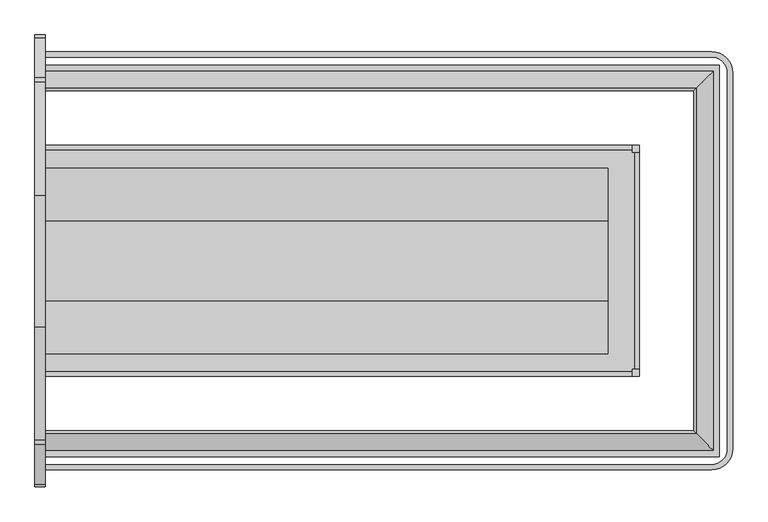
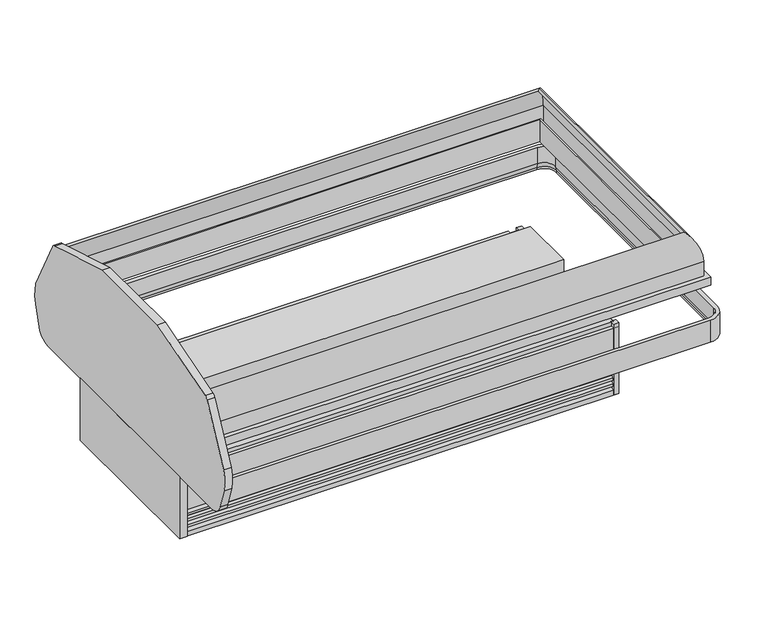
"""IFC4 building model written with IfcOpenShell, lengths in millimetres: proxy geometry."""

from ifc_helpers import new_model, si_unit, point, frame, frame_2d, origin, place, context, project, spatial, polyline, circle_curve, ellipse_curve, trimmed, segment, composite_curve, outline, extrude, faceted_brep, source, transform, mapped, element, save
from ifc_brep_helpers import plane_surface, cylinder_surface, revolved_surface, advanced_brep


def mechanical_equipment_dba4b58a(model_context):
    return source(origin(), model_context, "Body", "SolidModel", [
        extrude(outline(polyline([(1693.06875, -1328.4946273), (1997.86875, -1328.4946273), (1997.86875, -1430.0946273), (1693.06875, -1430.0946273), (1693.06875, -1328.4946273)])), frame((0.0, 0.0, 189.9442522), z_axis=(0.0, 0.0, 1.0), x_axis=(1.0, 0.0, 0.0)), (0.0, 0.0, 1.0), 53.975),
        extrude(outline(polyline([(0.0, -1877.2754027), (0.0, -1854.8852919), (2437.7518707, -1854.8852919), (2437.7518707, -471.8927566), (0.0, -471.8927566), (0.0, -449.5026457), (2460.1419816, -449.5026457), (2460.1419816, -1877.2754027), (0.0, -1877.2754027)])), frame((0.0, 0.0, 699.9316399), z_axis=(0.0, 0.0, 1.0), x_axis=(1.0, 0.0, 0.0)), (0.0, 0.0, 1.0), 41.2710907),
        advanced_brep(
        [(0.0, -1792.5196013, 958.3889172), (0.0, -1784.0477837, 948.9275057), (0.0, -1842.1852919, 818.8330982), (0.0, -1842.1852919, 702.038591), (0.0, -1854.8852919, 702.038591), (0.0, -1854.8852919, 818.8330982), (2375.3861801, -1792.5196013, 958.3889172), (2366.9143625, -1784.0477837, 948.9275057), (2425.0518707, -1842.1852919, 818.8330982), (2425.0518707, -1842.1852919, 702.038591), (2425.0518707, -484.5927566, 702.038591), (0.0, -484.5927566, 702.038591), (0.0, -471.8927566, 702.038591), (2437.7518707, -471.8927566, 702.038591), (2437.7518707, -1854.8852919, 702.038591), (2437.7518707, -1854.8852919, 818.8330982), (2375.3861801, -534.2584472, 958.3889172), (2366.9143625, -542.7302648, 948.9275057), (2425.0518707, -484.5927566, 818.8330982), (2437.7518707, -471.8927566, 818.8330982), (0.0, -534.2584472, 958.3889172), (0.0, -471.8927566, 818.8330982), (0.0, -484.5927566, 818.8330982), (0.0, -542.7302648, 948.9275057)],
        [
            (0, 1),
            (1, 2, circle_curve(frame((0.0, -1667.5602919, 818.8330982), z_axis=(1.0, 0.0, 0.0), x_axis=(0.0, 1.0, 0.0)), 174.625)),
            (2, 3),
            (3, 4),
            (4, 5),
            (5, 0, circle_curve(frame((0.0, -1667.5602919, 818.8330982), z_axis=(-1.0, 0.0, 0.0), x_axis=(0.0, 1.0, 0.0)), 187.325)),
            (0, 6),
            (6, 7),
            (7, 1),
            (7, 8, ellipse_curve(frame((2250.4268707, -1667.5602919, 818.8330982), z_axis=(0.7071067811865475, 0.7071067811865475, 0.0), x_axis=(0.7071067811865476, -0.7071067811865474, 0.0)), 246.9570433, 174.625)),
            (8, 2),
            (8, 9),
            (9, 3),
            (9, 10),
            (10, 11),
            (11, 12),
            (12, 13),
            (13, 14),
            (14, 4),
            (14, 15),
            (15, 5),
            (15, 6, ellipse_curve(frame((2250.4268707, -1667.5602919, 818.8330982), z_axis=(-0.7071067811865475, -0.7071067811865475, 0.0), x_axis=(-0.7071067811865476, 0.7071067811865474, 0.0)), 264.9175556, 187.325)),
            (6, 16),
            (16, 17),
            (17, 7),
            (17, 18, ellipse_curve(frame((2250.4268707, -659.2177566, 818.8330982), z_axis=(-0.7071067811865475, 0.7071067811865475, 0.0), x_axis=(0.7071067811865474, 0.7071067811865476, 0.0)), 246.9570433, 174.625)),
            (18, 8),
            (18, 10),
            (13, 19),
            (19, 15),
            (19, 16, ellipse_curve(frame((2250.4268707, -659.2177566, 818.8330982), z_axis=(0.7071067811865475, -0.7071067811865475, 0.0), x_axis=(-0.7071067811865474, -0.7071067811865476, 0.0)), 264.9175556, 187.325)),
            (20, 21, circle_curve(frame((0.0, -659.2177566, 818.8330982), z_axis=(-1.0, 0.0, 0.0), x_axis=(0.0, -1.0, 0.0)), 187.325)),
            (21, 12),
            (11, 22),
            (22, 23, circle_curve(frame((0.0, -659.2177566, 818.8330982), z_axis=(1.0, 0.0, 0.0), x_axis=(0.0, -1.0, 0.0)), 174.625)),
            (23, 20),
            (16, 20),
            (23, 17),
            (22, 18),
            (21, 19),
        ],
        [
            plane_surface(frame((0.0, -1977.7709212, 50.2442522), z_axis=(-1.0, 0.0, 0.0), x_axis=(0.0, 0.0, 1.0))),
            plane_surface(frame((0.0, -1792.5196013, 958.3889172), z_axis=(0.0, 0.7449930280994389, 0.6670722510217529), x_axis=(1.0, 0.0, 0.0))),
            revolved_surface(polyline([(2425.0518707, -1492.9352919, 818.8330982), (0.0, -1492.9352919, 818.8330982)]), (0.0, -1667.5602919, 818.8330982), (1.0, 0.0, 0.0)),
            plane_surface(frame((0.0, -1842.1852919, 818.8330982), z_axis=(0.0, 1.0, 0.0), x_axis=(1.0, 0.0, 0.0))),
            plane_surface(frame((0.0, -1842.1852919, 702.038591), z_axis=(0.0, 0.0, -1.0), x_axis=(1.0, 0.0, 0.0))),
            plane_surface(frame((0.0, -1854.8852919, 702.038591), z_axis=(0.0, -1.0, 0.0), x_axis=(1.0, 0.0, 0.0))),
            cylinder_surface(frame((0.0, -1667.5602919, 818.8330982), z_axis=(-1.0, 0.0, 0.0), x_axis=(0.0, 1.0, 0.0)), 187.325),
            plane_surface(frame((2375.3861801, -1792.5196013, 958.3889172), z_axis=(-0.7449930280994389, 0.0, 0.6670722510217529), x_axis=(0.0, 1.0, 0.0))),
            revolved_surface(polyline([(2075.8018707, -484.59275660000003, 818.8330982), (2075.8018707, -1842.1852919, 818.8330982)]), (2250.4268707, -1977.7709212, 818.8330982), (0.0, 1.0, 0.0)),
            plane_surface(frame((2425.0518707, -1842.1852919, 818.8330982), z_axis=(-1.0, 0.0, 0.0), x_axis=(0.0, 1.0, 0.0))),
            plane_surface(frame((2437.7518707, -1854.8852919, 702.038591), z_axis=(1.0, 0.0, 0.0), x_axis=(0.0, 1.0, 0.0))),
            cylinder_surface(frame((2250.4268707, -1977.7709212, 818.8330982), z_axis=(0.0, -1.0, 0.0), x_axis=(-1.0, 0.0, 0.0)), 187.325),
            plane_surface(frame((0.0, -349.0071273, 50.2442522), z_axis=(-1.0, 0.0, 0.0), x_axis=(0.0, 0.0, 1.0))),
            plane_surface(frame((2375.3861801, -534.2584472, 958.3889172), z_axis=(0.0, -0.7449930280994389, 0.6670722510217529), x_axis=(-1.0, 0.0, 0.0))),
            revolved_surface(polyline([(0.0, -833.8427566, 818.8330982), (2425.0518707, -833.8427566, 818.8330982)]), (2560.6375, -659.2177566, 818.8330982), (-1.0, 0.0, 0.0)),
            plane_surface(frame((2425.0518707, -484.5927566, 818.8330982), z_axis=(0.0, -1.0, 0.0), x_axis=(-1.0, 0.0, 0.0))),
            plane_surface(frame((2437.7518707, -471.8927566, 702.038591), z_axis=(0.0, 1.0, 0.0), x_axis=(-1.0, 0.0, 0.0))),
            cylinder_surface(frame((2560.6375, -659.2177566, 818.8330982), z_axis=(1.0, 0.0, 0.0), x_axis=(0.0, -1.0, 0.0)), 187.325),
        ],
        [
            (0, [[1, 2, 3, 4, 5, 6]]),
            (1, [[-1, 7, 8, 9]]),
            (2, [[-2, -9, 10, 11]]),
            (3, [[-3, -11, 12, 13]]),
            (4, [[-4, -13, 14, 15, 16, 17, 18, 19]]),
            (5, [[-5, -19, 20, 21]]),
            (6, [[-6, -21, 22, -7]]),
            (7, [[-8, 23, 24, 25]]),
            (8, [[-10, -25, 26, 27]]),
            (9, [[-12, -27, 28, -14]]),
            (10, [[-20, -18, 29, 30]]),
            (11, [[-22, -30, 31, -23]]),
            (12, [[32, 33, -16, 34, 35, 36]]),
            (13, [[-24, 37, -36, 38]]),
            (14, [[-26, -38, -35, 39]]),
            (15, [[-28, -39, -34, -15]]),
            (16, [[-29, -17, -33, 40]]),
            (17, [[-31, -40, -32, -37]]),
        ],
    ),
        faceted_brep([(0.0, -1809.1342557, 779.826091), (0.0, -1802.7842557, 779.826091), (0.0, -1802.7842557, 665.438693), (0.0, -1809.1342557, 665.438693), (2392.0008346, -1809.1342557, 779.826091), (2392.0008346, -517.6437927, 779.826091), (0.0, -517.6437927, 779.826091), (0.0, -523.9937927, 779.826091), (2385.6508346, -523.9937927, 779.826091), (2385.6508346, -1802.7842557, 779.826091), (2385.6508346, -1802.7842557, 665.438693), (2385.6508346, -523.9937927, 665.438693), (0.0, -523.9937927, 665.438693), (0.0, -517.6437927, 665.438693), (2392.0008346, -517.6437927, 665.438693), (2392.0008346, -1809.1342557, 665.438693)], [[[0, 1, 2, 3]], [[1, 0, 4, 5, 6, 7, 8, 9]], [[2, 1, 9, 10]], [[3, 2, 10, 11, 12, 13, 14, 15]], [[0, 3, 15, 4]], [[10, 9, 8, 11]], [[4, 15, 14, 5]], [[6, 13, 12, 7]], [[11, 8, 7, 12]], [[5, 14, 13, 6]]]),
        extrude(outline(polyline([(2141.8067977, -1585.0986858), (2141.8067977, -1558.951425), (2167.9540585, -1558.951425), (2167.9540585, -1585.0986858), (2141.8067977, -1585.0986858)])), frame((0.0, 0.0, 50.2442522), z_axis=(0.0, 0.0, 1.0), x_axis=(1.0, 0.0, 0.0)), (0.0, 0.0, 1.0), 374.65),
        extrude(outline(polyline([(2141.8067977, -741.6905688), (2167.9540585, -741.6905688), (2167.9540585, -767.8378296), (2141.8067977, -767.8378296), (2141.8067977, -741.6905688)])), frame((0.0, 0.0, 50.2442522), z_axis=(0.0, 0.0, 1.0), x_axis=(1.0, 0.0, 0.0)), (0.0, 0.0, 1.0), 374.65),
        extrude(outline(polyline([(0.0, -731.5946273), (0.0, -1595.1946273), (-38.1, -1595.1946273), (-38.1, -731.5946273), (0.0, -731.5946273)])), frame((0.0, 0.0, 55.8110105), z_axis=(0.0, 0.0, 1.0), x_axis=(1.0, 0.0, 0.0)), (0.0, 0.0, 1.0), 330.2),
        extrude(outline(composite_curve([segment(trimmed(circle_curve(frame_2d((-1876.0201467, 462.2147549)), 76.2037445), [point((-1876.0201467, 386.0110105))], [point((-1949.0324467, 440.3924105))], False, "CARTESIAN"), True, "CONTINUOUS"), segment(polyline([(-1949.0324467, 440.3924105), (-1980.3506467, 545.1755523)]), True, "CONTINUOUS"), segment(trimmed(circle_curve(frame_2d((-1810.0422719, 596.0783182)), 177.752733), [point((-1980.3506467, 545.1755523))], [point((-1977.7709212, 654.9267193))], False, "CARTESIAN"), True, "CONTINUOUS"), segment(polyline([(-1977.7709212, 654.9267193), (-1833.2015565, 938.6600732)]), True, "CONTINUOUS"), segment(trimmed(circle_curve(frame_2d((-1810.5699907, 927.1287145)), 25.4), [point((-1833.2015565, 938.6600732))], [point((-1816.4208577, 951.8456592))], False, "CARTESIAN"), True, "CONTINUOUS"), segment(polyline([(-1816.4208577, 951.8456592), (-1403.1455727, 1075.3678003), (-923.6436819, 1075.3678003), (-510.3683969, 951.8456592)]), True, "CONTINUOUS"), segment(trimmed(circle_curve(frame_2d((-516.2192639, 927.1287145)), 25.4), [point((-510.3683969, 951.8456592))], [point((-493.5876981, 938.6600732))], False, "CARTESIAN"), True, "CONTINUOUS"), segment(polyline([(-493.5876981, 938.6600732), (-349.0183334, 654.9267193)]), True, "CONTINUOUS"), segment(trimmed(circle_curve(frame_2d((-516.7469827, 596.0783182)), 177.752733), [point((-349.0183334, 654.9267193))], [point((-346.4386079, 545.1755523))], False, "CARTESIAN"), True, "CONTINUOUS"), segment(polyline([(-346.4386079, 545.1755523), (-377.7568079, 440.3924105)]), True, "CONTINUOUS"), segment(trimmed(circle_curve(frame_2d((-450.7691079, 462.2147549)), 76.2037445), [point((-377.7568079, 440.3924105))], [point((-450.7691079, 386.0110105))], False, "CARTESIAN"), True, "CONTINUOUS"), segment(polyline([(-450.7691079, 386.0110105), (-1876.0201467, 386.0110105)]), True, "CONTINUOUS")], self_intersect=False)), frame((-38.1, 0.0, 0.0), z_axis=(1.0, 0.0, 0.0), x_axis=(0.0, 1.0, 0.0)), (0.0, 0.0, 1.0), 38.1),
        advanced_brep(
        [(0.0, -401.3444046, 552.6494703), (0.0, -401.3444046, 434.7299703), (0.0, -416.0764046, 434.7299703), (0.0, -416.0764046, 445.2709703), (0.0, -420.1796936, 468.5418787), (0.0, -420.1796936, 552.6494703), (2432.1002227, -401.3444046, 552.6494703), (2432.1002227, -401.3444046, 434.7299703), (2508.3002227, -477.5444046, 434.7299703), (2508.3002227, -1849.24485, 434.7299703), (2432.1002227, -1925.44485, 434.7299703), (0.0, -1925.44485, 434.7299703), (0.0, -1910.71285, 434.7299703), (2432.1002227, -1910.71285, 434.7299703), (2493.5682227, -1849.24485, 434.7299703), (2493.5682227, -477.5444046, 434.7299703), (2432.1002227, -416.0764046, 434.7299703), (2432.1002227, -416.0764046, 445.2709703), (2432.1002227, -420.1796936, 468.5418787), (2432.1002227, -420.1796936, 552.6494703), (2489.4649337, -477.5444046, 552.6494703), (2489.4649337, -1849.24485, 552.6494703), (2432.1002227, -1906.609561, 552.6494703), (0.0, -1906.609561, 552.6494703), (0.0, -1925.44485, 552.6494703), (2432.1002227, -1925.44485, 552.6494703), (2508.3002227, -1849.24485, 552.6494703), (2508.3002227, -477.5444046, 552.6494703), (2493.5682227, -477.5444046, 445.2709703), (2489.4649337, -477.5444046, 468.5418787), (2493.5682227, -1849.24485, 445.2709703), (2489.4649337, -1849.24485, 468.5418787), (2432.1002227, -1910.71285, 445.2709703), (2432.1002227, -1906.609561, 468.5418787), (0.0, -1906.609561, 468.5418787), (0.0, -1910.71285, 445.2709703)],
        [
            (0, 1),
            (1, 2),
            (2, 3),
            (3, 4),
            (4, 5),
            (5, 0),
            (0, 6),
            (6, 7),
            (7, 1),
            (7, 8, circle_curve(frame((2432.1002227, -477.5444046, 434.7299703), z_axis=(0.0, 0.0, -1.0), x_axis=(0.0, 1.0, 0.0)), 76.2)),
            (8, 9),
            (9, 10, circle_curve(frame((2432.1002227, -1849.24485, 434.7299703), z_axis=(0.0, 0.0, -1.0), x_axis=(1.0, 0.0, 0.0)), 76.2)),
            (10, 11),
            (11, 12),
            (12, 13),
            (13, 14, circle_curve(frame((2432.1002227, -1849.24485, 434.7299703), z_axis=(0.0, 0.0, 1.0), x_axis=(1.0, 0.0, 0.0)), 61.468)),
            (14, 15),
            (15, 16, circle_curve(frame((2432.1002227, -477.5444046, 434.7299703), z_axis=(0.0, 0.0, 1.0), x_axis=(0.0, 1.0, 0.0)), 61.468)),
            (16, 2),
            (16, 17),
            (17, 3),
            (17, 18),
            (18, 4),
            (18, 19),
            (19, 5),
            (19, 20, circle_curve(frame((2432.1002227, -477.5444046, 552.6494703), z_axis=(0.0, 0.0, -1.0), x_axis=(0.0, 1.0, 0.0)), 57.364711)),
            (20, 21),
            (21, 22, circle_curve(frame((2432.1002227, -1849.24485, 552.6494703), z_axis=(0.0, 0.0, -1.0), x_axis=(1.0, 0.0, 0.0)), 57.364711)),
            (22, 23),
            (23, 24),
            (24, 25),
            (25, 26, circle_curve(frame((2432.1002227, -1849.24485, 552.6494703), z_axis=(0.0, 0.0, 1.0), x_axis=(1.0, 0.0, 0.0)), 76.2)),
            (26, 27),
            (27, 6, circle_curve(frame((2432.1002227, -477.5444046, 552.6494703), z_axis=(0.0, 0.0, 1.0), x_axis=(0.0, 1.0, 0.0)), 76.2)),
            (27, 8),
            (28, 17, circle_curve(frame((2432.1002227, -477.5444046, 445.2709703), z_axis=(0.0, 0.0, 1.0), x_axis=(0.0, 1.0, 0.0)), 61.468)),
            (15, 28),
            (29, 18, circle_curve(frame((2432.1002227, -477.5444046, 468.5418787), z_axis=(0.0, 0.0, 1.0), x_axis=(0.0, 1.0, 0.0)), 57.364711)),
            (28, 29),
            (29, 20),
            (26, 9),
            (14, 30),
            (30, 28),
            (30, 31),
            (31, 29),
            (31, 21),
            (25, 10),
            (32, 30, circle_curve(frame((2432.1002227, -1849.24485, 445.2709703), z_axis=(0.0, 0.0, 1.0), x_axis=(1.0, 0.0, 0.0)), 61.468)),
            (13, 32),
            (33, 31, circle_curve(frame((2432.1002227, -1849.24485, 468.5418787), z_axis=(0.0, 0.0, 1.0), x_axis=(1.0, 0.0, 0.0)), 57.364711)),
            (32, 33),
            (33, 22),
            (23, 34),
            (34, 35),
            (35, 12),
            (11, 24),
            (35, 32),
            (34, 33),
        ],
        [
            plane_surface(frame((0.0, -401.3444046, 50.2442522), z_axis=(-1.0, 0.0, 0.0), x_axis=(0.0, 0.0, 1.0))),
            plane_surface(frame((0.0, -401.3444046, 552.6494703), z_axis=(0.0, 1.0, 0.0), x_axis=(1.0, 0.0, 0.0))),
            plane_surface(frame((0.0, -401.3444046, 434.7299703), z_axis=(0.0, 0.0, -1.0), x_axis=(1.0, 0.0, 0.0))),
            plane_surface(frame((0.0, -416.0764046, 434.7299703), z_axis=(0.0, -1.0, 0.0), x_axis=(1.0, 0.0, 0.0))),
            plane_surface(frame((0.0, -416.0764046, 445.2709703), z_axis=(0.0, -0.9848077530122079, -0.17364817766693152), x_axis=(1.0, 0.0, 0.0))),
            plane_surface(frame((0.0, -420.1796936, 468.5418787), z_axis=(0.0, -1.0, 0.0), x_axis=(1.0, 0.0, 0.0))),
            plane_surface(frame((0.0, -420.1796936, 552.6494703), z_axis=(0.0, 0.0, 1.0), x_axis=(1.0, 0.0, 0.0))),
            cylinder_surface(frame((2432.1002227, -477.5444046, 50.2442522), z_axis=(0.0, 0.0, -1.0), x_axis=(0.0, 1.0, 0.0)), 76.2),
            revolved_surface(polyline([(2432.1002227, -416.0764046, 434.7299703), (2432.1002227, -416.0764046, 445.2709703)]), (2432.1002227, -477.5444046, 50.2442522), (0.0, 0.0, -1.0)),
            revolved_surface(polyline([(2432.1002227, -416.0764046, 445.2709703), (2432.1002227, -420.1796936, 468.5418787)]), (2432.1002227, -477.5444046, 50.2442522), (0.0, 0.0, -1.0)),
            revolved_surface(polyline([(2432.1002227, -420.1796936, 468.5418787), (2432.1002227, -420.1796936, 552.6494703)]), (2432.1002227, -477.5444046, 50.2442522), (0.0, 0.0, -1.0)),
            plane_surface(frame((2508.3002227, -477.5444046, 552.6494703), z_axis=(1.0, 0.0, 0.0), x_axis=(0.0, -1.0, 0.0))),
            plane_surface(frame((2493.5682227, -477.5444046, 434.7299703), z_axis=(-1.0, 0.0, 0.0), x_axis=(0.0, -1.0, 0.0))),
            plane_surface(frame((2493.5682227, -477.5444046, 445.2709703), z_axis=(-0.9848077530122079, 0.0, -0.17364817766693152), x_axis=(0.0, -1.0, 0.0))),
            plane_surface(frame((2489.4649337, -477.5444046, 468.5418787), z_axis=(-1.0, 0.0, 0.0), x_axis=(0.0, -1.0, 0.0))),
            cylinder_surface(frame((2432.1002227, -1849.24485, 50.2442522), z_axis=(0.0, 0.0, -1.0), x_axis=(1.0, 0.0, 0.0)), 76.2),
            revolved_surface(polyline([(2493.5682226999998, -1849.24485, 434.7299703), (2493.5682226999998, -1849.24485, 445.2709703)]), (2432.1002227, -1849.24485, 50.2442522), (0.0, 0.0, -1.0)),
            revolved_surface(polyline([(2493.5682227, -1849.24485, 445.2709703), (2489.4649337, -1849.24485, 468.5418787)]), (2432.1002227, -1849.24485, 50.2442522), (0.0, 0.0, -1.0)),
            revolved_surface(polyline([(2489.4649337, -1849.24485, 468.5418787), (2489.4649337, -1849.24485, 552.6494703)]), (2432.1002227, -1849.24485, 50.2442522), (0.0, 0.0, -1.0)),
            plane_surface(frame((0.0, -1925.44485, 50.2442522), z_axis=(-1.0, 0.0, 0.0), x_axis=(0.0, 0.0, 1.0))),
            plane_surface(frame((2432.1002227, -1925.44485, 552.6494703), z_axis=(0.0, -1.0, 0.0), x_axis=(-1.0, 0.0, 0.0))),
            plane_surface(frame((2432.1002227, -1910.71285, 434.7299703), z_axis=(0.0, 1.0, 0.0), x_axis=(-1.0, 0.0, 0.0))),
            plane_surface(frame((2432.1002227, -1910.71285, 445.2709703), z_axis=(0.0, 0.9848077530122079, -0.17364817766693152), x_axis=(-1.0, 0.0, 0.0))),
            plane_surface(frame((2432.1002227, -1906.609561, 468.5418787), z_axis=(0.0, 1.0, 0.0), x_axis=(-1.0, 0.0, 0.0))),
        ],
        [
            (0, [[1, 2, 3, 4, 5, 6]]),
            (1, [[-1, 7, 8, 9]]),
            (2, [[-2, -9, 10, 11, 12, 13, 14, 15, 16, 17, 18, 19]]),
            (3, [[-3, -19, 20, 21]]),
            (4, [[-4, -21, 22, 23]]),
            (5, [[-5, -23, 24, 25]]),
            (6, [[-6, -25, 26, 27, 28, 29, 30, 31, 32, 33, 34, -7]]),
            (7, [[-10, -8, -34, 35]]),
            (8, [[36, -20, -18, 37]]),
            (9, [[38, -22, -36, 39]]),
            (10, [[-26, -24, -38, 40]]),
            (11, [[-35, -33, 41, -11]]),
            (12, [[-37, -17, 42, 43]]),
            (13, [[-39, -43, 44, 45]]),
            (14, [[-40, -45, 46, -27]]),
            (15, [[-12, -41, -32, 47]]),
            (16, [[48, -42, -16, 49]]),
            (17, [[50, -44, -48, 51]]),
            (18, [[-28, -46, -50, 52]]),
            (19, [[-30, 53, 54, 55, -14, 56]]),
            (20, [[-47, -31, -56, -13]]),
            (21, [[-49, -15, -55, 57]]),
            (22, [[-51, -57, -54, 58]]),
            (23, [[-52, -58, -53, -29]]),
        ],
    ),
        extrude(outline(composite_curve([segment(trimmed(circle_curve(frame_2d((1219.2, -1163.3946273)), 19.05), [point((1200.15, -1163.3946273))], [point((1238.25, -1163.3946273))], False, "CARTESIAN"), True, "CONTINUOUS"), segment(trimmed(circle_curve(frame_2d((1219.2, -1163.3946273)), 19.05), [point((1238.25, -1163.3946273))], [point((1200.15, -1163.3946273))], False, "CARTESIAN"), True, "CONTINUOUS")], self_intersect=False)), frame((0.0, 0.0, 93.9880046), z_axis=(0.0, 0.0, 1.0), x_axis=(1.0, 0.0, 0.0)), (0.0, 0.0, 1.0), 210.2562476),
        extrude(outline(composite_curve([segment(trimmed(circle_curve(frame_2d((941.2705885, -829.9578833)), 11.1125), [point((930.1580885, -829.9578833))], [point((952.3830885, -829.9578833))], False, "CARTESIAN"), True, "CONTINUOUS"), segment(trimmed(circle_curve(frame_2d((941.2705885, -829.9578833)), 11.1125), [point((952.3830885, -829.9578833))], [point((930.1580885, -829.9578833))], False, "CARTESIAN"), True, "CONTINUOUS")], self_intersect=False)), frame((0.0, 0.0, 137.6601877), z_axis=(0.0, 0.0, 1.0), x_axis=(1.0, 0.0, 0.0)), (0.0, 0.0, 1.0), 166.5840645),
        extrude(outline(composite_curve([segment(trimmed(circle_curve(frame_2d((941.7382345, -850.5343095)), 4.7625), [point((936.9757345, -850.5343095))], [point((946.5007345, -850.5343095))], False, "CARTESIAN"), True, "CONTINUOUS"), segment(trimmed(circle_curve(frame_2d((941.7382345, -850.5343095)), 4.7625), [point((946.5007345, -850.5343095))], [point((936.9757345, -850.5343095))], False, "CARTESIAN"), True, "CONTINUOUS")], self_intersect=False)), frame((0.0, 0.0, 137.6601877), z_axis=(0.0, 0.0, 1.0), x_axis=(1.0, 0.0, 0.0)), (0.0, 0.0, 1.0), 166.5840645),
        advanced_brep(
        [(0.0, -1584.8627062, 189.9442522), (0.0, -1584.8627062, 404.6426327), (0.0, -1566.9557062, 404.6426327), (0.0, -1566.9557062, 424.8942522), (0.0, -1465.3557062, 424.8942522), (0.0, -1465.3557062, 189.9442522), (2167.7180789, -1584.8627062, 189.9442522), (2167.7180789, -1584.8627062, 404.6426327), (2167.7180789, -741.9265484, 404.6426327), (0.0, -741.9265484, 404.6426327), (0.0, -759.8335484, 404.6426327), (2149.8110789, -759.8335484, 404.6426327), (2149.8110789, -1566.9557062, 404.6426327), (2149.8110789, -1566.9557062, 424.8942522), (2149.8110789, -759.8335484, 424.8942522), (0.0, -759.8335484, 424.8942522), (0.0, -861.4335484, 424.8942522), (2048.2110789, -861.4335484, 424.8942522), (2048.2110789, -1465.3557062, 424.8942522), (2048.2110789, -1465.3557062, 257.2427017), (2048.2110789, -1465.3557062, 189.9442522), (1673.5610789, -1465.3557062, 189.9442522), (2048.2110789, -1308.4091352, 189.9442522), (2048.2110789, -861.4335484, 189.9442522), (954.2729621, -861.4335484, 189.9442522), (966.7875, -839.5446273, 189.9442522), (915.9875, -839.5446273, 189.9442522), (928.5020379, -861.4335484, 189.9442522), (0.0, -861.4335484, 189.9442522), (0.0, -741.9265484, 189.9442522), (2167.7180789, -741.9265484, 189.9442522), (928.5020379, -861.4335484, 304.2442522), (954.2729621, -861.4335484, 304.2442522), (915.9875, -839.5446273, 304.2442522), (966.7875, -839.5446273, 304.2442522)],
        [
            (0, 1),
            (1, 2),
            (2, 3),
            (3, 4),
            (4, 5),
            (5, 0),
            (0, 6),
            (6, 7),
            (7, 1),
            (7, 8),
            (8, 9),
            (9, 10),
            (10, 11),
            (11, 12),
            (12, 2),
            (12, 13),
            (13, 3),
            (13, 14),
            (14, 15),
            (15, 16),
            (16, 17),
            (17, 18),
            (18, 4),
            (18, 19),
            (19, 20),
            (20, 21),
            (21, 5),
            (20, 22),
            (22, 23),
            (23, 24),
            (24, 25, circle_curve(frame((941.3875, -839.5446273, 189.9442522), z_axis=(0.0, 0.0, 1.0), x_axis=(1.0, 0.0, 0.0)), 25.4)),
            (25, 26, circle_curve(frame((941.3875, -839.5446273, 189.9442522), z_axis=(0.0, 0.0, 1.0), x_axis=(1.0, 0.0, 0.0)), 25.4)),
            (26, 27, circle_curve(frame((941.3875, -839.5446273, 189.9442522), z_axis=(0.0, 0.0, 1.0), x_axis=(1.0, 0.0, 0.0)), 25.4)),
            (27, 28),
            (28, 29),
            (29, 30),
            (30, 6),
            (30, 8),
            (11, 14),
            (17, 23),
            (9, 29),
            (28, 16),
            (15, 10),
            (27, 31),
            (31, 32),
            (32, 24),
            (33, 34, circle_curve(frame((941.3875, -839.5446273, 304.2442522), z_axis=(0.0, 0.0, -1.0), x_axis=(1.0, 0.0, 0.0)), 25.4)),
            (34, 32, circle_curve(frame((941.3875, -839.5446273, 304.2442522), z_axis=(0.0, 0.0, -1.0), x_axis=(1.0, 0.0, 0.0)), 25.4)),
            (31, 33, circle_curve(frame((941.3875, -839.5446273, 304.2442522), z_axis=(0.0, 0.0, -1.0), x_axis=(1.0, 0.0, 0.0)), 25.4)),
            (34, 25),
            (26, 33),
        ],
        [
            plane_surface(frame((0.0, -1977.7821273, 50.2442522), z_axis=(-1.0, 0.0, 0.0), x_axis=(0.0, 0.0, 1.0))),
            plane_surface(frame((0.0, -1584.8627062, 189.9442522), z_axis=(0.0, -1.0, 0.0), x_axis=(1.0, 0.0, 0.0))),
            plane_surface(frame((0.0, -1584.8627062, 404.6426327), z_axis=(0.0, 0.0, 1.0), x_axis=(1.0, 0.0, 0.0))),
            plane_surface(frame((0.0, -1566.9557062, 404.6426327), z_axis=(0.0, -1.0, 0.0), x_axis=(1.0, 0.0, 0.0))),
            plane_surface(frame((0.0, -1566.9557062, 424.8942522), z_axis=(0.0, 0.0, 1.0), x_axis=(1.0, 0.0, 0.0))),
            plane_surface(frame((0.0, -1465.3557062, 424.8942522), z_axis=(0.0, 1.0, 0.0), x_axis=(1.0, 0.0, 0.0))),
            plane_surface(frame((0.0, -1465.3557062, 189.9442522), z_axis=(0.0, 0.0, -1.0), x_axis=(1.0, 0.0, 0.0))),
            plane_surface(frame((2167.7180789, -1584.8627062, 189.9442522), z_axis=(1.0, 0.0, 0.0), x_axis=(0.0, 1.0, 0.0))),
            plane_surface(frame((2149.8110789, -1566.9557062, 404.6426327), z_axis=(1.0, 0.0, 0.0), x_axis=(0.0, 1.0, 0.0))),
            plane_surface(frame((2048.2110789, -1465.3557062, 424.8942522), z_axis=(-1.0, 0.0, 0.0), x_axis=(0.0, 1.0, 0.0))),
            plane_surface(frame((0.0, -349.0071273, 50.2442522), z_axis=(-1.0, 0.0, 0.0), x_axis=(0.0, 0.0, 1.0))),
            plane_surface(frame((2167.7180789, -741.9265484, 189.9442522), z_axis=(0.0, 1.0, 0.0), x_axis=(-1.0, 0.0, 0.0))),
            plane_surface(frame((2149.8110789, -759.8335484, 404.6426327), z_axis=(0.0, 1.0, 0.0), x_axis=(-1.0, 0.0, 0.0))),
            plane_surface(frame((2048.2110789, -861.4335484, 424.8942522), z_axis=(0.0, -1.0, 0.0), x_axis=(-1.0, 0.0, 0.0))),
            plane_surface(frame((966.7875, -839.5446273, 304.2442522), z_axis=(0.0, 0.0, -1.0), x_axis=(0.0, 1.0, 0.0))),
            revolved_surface(polyline([(966.7875, -839.5446273, 304.2442522), (966.7875, -839.5446273, 189.9442522)]), (941.3875, -839.5446273, 50.2442522), (0.0, 0.0, 1.0)),
        ],
        [
            (0, [[1, 2, 3, 4, 5, 6]]),
            (1, [[-1, 7, 8, 9]]),
            (2, [[-2, -9, 10, 11, 12, 13, 14, 15]]),
            (3, [[-3, -15, 16, 17]]),
            (4, [[-4, -17, 18, 19, 20, 21, 22, 23]]),
            (5, [[-5, -23, 24, 25, 26, 27]]),
            (6, [[-6, -27, -26, 28, 29, 30, 31, 32, 33, 34, 35, 36, 37, -7]]),
            (7, [[-8, -37, 38, -10]]),
            (8, [[-14, 39, -18, -16]]),
            (9, [[-22, 40, -29, -28, -25, -24]]),
            (10, [[-12, 41, -35, 42, -20, 43]]),
            (11, [[-11, -38, -36, -41]]),
            (12, [[-13, -43, -19, -39]]),
            (13, [[-21, -42, -34, 44, 45, 46, -30, -40]]),
            (14, [[47, 48, -45, 49]]),
            (15, [[-48, 50, -31, -46]]),
            (15, [[-49, -44, -33, 51]]),
            (15, [[-47, -51, -32, -50]]),
        ],
    ),
        advanced_brep(
        [(2052.5161839, -861.4335484, 424.8942522), (2052.5161839, -824.9422387, 424.8942522), (2052.5161839, -824.9422387, 490.0253507), (2052.5161839, -1018.3801194, 482.92446), (2052.5161839, -1018.3801194, 631.4585812), (2052.5161839, -1308.4091352, 631.4585812), (2052.5161839, -1308.4091352, 482.92446), (2052.5161839, -1501.8470159, 490.0253507), (2052.5161839, -1501.8470159, 424.8942522), (2052.5161839, -1465.3557062, 424.8942522), (2052.5161839, -1465.3557062, 189.9442522), (2052.5161839, -861.4335484, 189.9442522), (0.0, -861.4335484, 424.8942522), (0.0, -861.4335484, 189.9442522), (0.0, -1465.3557062, 189.9442522), (0.0, -1465.3557062, 424.8942522), (0.0, -1501.8470159, 424.8942522), (0.0, -1501.8470159, 490.0253507), (0.0, -1308.4091352, 482.92446), (0.0, -1308.4091352, 631.4585812), (0.0, -1018.3801194, 631.4585812), (0.0, -1018.3801194, 482.92446), (0.0, -824.9422387, 490.0253507), (0.0, -824.9422387, 424.8942522), (1673.5610789, -1465.3557062, 189.9442522), (1673.5610789, -1465.3557062, 257.2427017), (2048.2110789, -1465.3557062, 257.2427017), (2048.2110789, -1465.3557062, 189.9442522), (2048.2110789, -1308.4091352, 189.9442522), (1673.5610789, -1308.4091352, 189.9442522), (928.5020379, -861.4335484, 189.9442522), (954.2729621, -861.4335484, 189.9442522), (1187.45, -1162.8932706, 189.9442522), (1250.95, -1162.8932706, 189.9442522), (954.2729621, -861.4335484, 304.2442522), (928.5020379, -861.4335484, 304.2442522), (1187.45, -1162.8932706, 304.2442522), (1250.95, -1162.8932706, 304.2442522), (1673.5610789, -1308.4091352, 257.2427017), (2048.2110789, -1308.4091352, 257.2427017)],
        [
            (0, 1),
            (1, 2),
            (2, 3),
            (3, 4),
            (4, 5),
            (5, 6),
            (6, 7),
            (7, 8),
            (8, 9),
            (9, 10),
            (10, 11),
            (11, 0),
            (12, 13),
            (13, 14),
            (14, 15),
            (15, 16),
            (16, 17),
            (17, 18),
            (18, 19),
            (19, 20),
            (20, 21),
            (21, 22),
            (22, 23),
            (23, 12),
            (0, 12),
            (23, 1),
            (3, 21),
            (20, 4),
            (19, 5),
            (18, 6),
            (9, 15),
            (14, 24),
            (24, 25),
            (25, 26),
            (26, 27),
            (27, 10),
            (27, 28),
            (28, 29),
            (29, 24),
            (13, 30),
            (30, 31, circle_curve(frame((941.3875, -839.5446273, 189.9442522), z_axis=(0.0, 0.0, 1.0), x_axis=(1.0, 0.0, 0.0)), 25.4)),
            (31, 11),
            (32, 33, circle_curve(frame((1219.2, -1162.8932706, 189.9442522), z_axis=(0.0, 0.0, 1.0), x_axis=(1.0, 0.0, 0.0)), 31.75)),
            (33, 32, circle_curve(frame((1219.2, -1162.8932706, 189.9442522), z_axis=(0.0, 0.0, 1.0), x_axis=(1.0, 0.0, 0.0)), 31.75)),
            (31, 34),
            (34, 35),
            (35, 30),
            (22, 2),
            (17, 7),
            (16, 8),
            (34, 35, circle_curve(frame((941.3875, -839.5446273, 304.2442522), z_axis=(0.0, 0.0, -1.0), x_axis=(1.0, 0.0, 0.0)), 25.4)),
            (36, 37, circle_curve(frame((1219.2, -1162.8932706, 304.2442522), z_axis=(0.0, 0.0, -1.0), x_axis=(1.0, 0.0, 0.0)), 31.75)),
            (37, 36, circle_curve(frame((1219.2, -1162.8932706, 304.2442522), z_axis=(0.0, 0.0, -1.0), x_axis=(1.0, 0.0, 0.0)), 31.75)),
            (37, 33),
            (32, 36),
            (25, 38),
            (38, 39),
            (39, 26),
            (39, 28),
            (38, 29),
        ],
        [
            plane_surface(frame((2052.5161839, -861.4335484, 424.8942522), z_axis=(1.0, 0.0, 0.0), x_axis=(0.0, 1.0, 0.0))),
            plane_surface(frame((0.0, -861.4335484, 424.8942522), z_axis=(-1.0, 0.0, 0.0), x_axis=(0.0, -1.0, 0.0))),
            plane_surface(frame((2052.5161839, -861.4335484, 424.8942522), z_axis=(0.0, 0.0, -1.0), x_axis=(-1.0, 0.0, 0.0))),
            plane_surface(frame((2052.5161839, -1018.3801194, 482.92446), z_axis=(0.0, 1.0, 0.0), x_axis=(-1.0, 0.0, 0.0))),
            plane_surface(frame((2052.5161839, -1018.3801194, 631.4585812), z_axis=(0.0, 0.0, 1.0), x_axis=(-1.0, 0.0, 0.0))),
            plane_surface(frame((2052.5161839, -1308.4091352, 631.4585812), z_axis=(0.0, -1.0, 0.0), x_axis=(-1.0, 0.0, 0.0))),
            plane_surface(frame((2052.5161839, -1465.3557062, 424.8942522), z_axis=(0.0, -1.0, 0.0), x_axis=(-1.0, 0.0, 0.0))),
            plane_surface(frame((2052.5161839, -1465.3557062, 189.9442522), z_axis=(0.0, 0.0, -1.0), x_axis=(-1.0, 0.0, 0.0))),
            plane_surface(frame((2052.5161839, -861.4335484, 189.9442522), z_axis=(0.0, 1.0, 0.0), x_axis=(-1.0, 0.0, 0.0))),
            plane_surface(frame((2052.5161839, -824.9422387, 424.8942522), z_axis=(0.0, 1.0, 0.0), x_axis=(-1.0, 0.0, 0.0))),
            plane_surface(frame((2052.5161839, -824.9422387, 490.0253507), z_axis=(0.0, -0.03668418616411642, 0.9993269087168005), x_axis=(-1.0, 0.0, 0.0))),
            plane_surface(frame((2052.5161839, -1308.4091352, 482.92446), z_axis=(0.0, 0.0366841861641131, 0.9993269087168006), x_axis=(-1.0, 0.0, 0.0))),
            plane_surface(frame((2052.5161839, -1501.8470159, 490.0253507), z_axis=(0.0, -1.0, 0.0), x_axis=(-1.0, 0.0, 0.0))),
            plane_surface(frame((2052.5161839, -1501.8470159, 424.8942522), z_axis=(0.0, 0.0, -1.0), x_axis=(-1.0, 0.0, 0.0))),
            plane_surface(frame((966.7875, -839.5446273, 304.2442522), z_axis=(0.0, 0.0, -1.0), x_axis=(0.0, 1.0, 0.0))),
            revolved_surface(polyline([(966.7875, -839.5446273, 304.2442522), (966.7875, -839.5446273, 189.9442522)]), (941.3875, -839.5446273, 50.2442522), (0.0, 0.0, 1.0)),
            plane_surface(frame((1250.95, -1162.8932706, 304.2442522), z_axis=(0.0, 0.0, -1.0), x_axis=(0.0, 1.0, 0.0))),
            revolved_surface(polyline([(1250.95, -1162.8932706, 304.2442522), (1250.95, -1162.8932706, 189.9442522)]), (1219.2, -1162.8932706, 50.2442522), (0.0, 0.0, 1.0)),
            plane_surface(frame((2048.2110789, -1465.3557062, 257.2427017), z_axis=(0.0, 0.0, -1.0), x_axis=(1.0, 0.0, 0.0))),
            plane_surface(frame((2048.2110789, -1465.3557062, 257.2427017), z_axis=(-1.0, 0.0, 0.0), x_axis=(0.0, 0.0, -1.0))),
            plane_surface(frame((2048.2110789, -1308.4091352, 257.2427017), z_axis=(0.0, -1.0, 0.0), x_axis=(0.0, 0.0, -1.0))),
            plane_surface(frame((1673.5610789, -1308.4091352, 257.2427017), z_axis=(1.0, 0.0, 0.0), x_axis=(0.0, 0.0, -1.0))),
        ],
        [
            (0, [[1, 2, 3, 4, 5, 6, 7, 8, 9, 10, 11, 12]]),
            (1, [[13, 14, 15, 16, 17, 18, 19, 20, 21, 22, 23, 24]]),
            (2, [[-1, 25, -24, 26]]),
            (3, [[-4, 27, -21, 28]]),
            (4, [[-5, -28, -20, 29]]),
            (5, [[-6, -29, -19, 30]]),
            (6, [[-10, 31, -15, 32, 33, 34, 35, 36]]),
            (7, [[-11, -36, 37, 38, 39, -32, -14, 40, 41, 42], [43, 44]]),
            (8, [[-12, -42, 45, 46, 47, -40, -13, -25]]),
            (9, [[-2, -26, -23, 48]]),
            (10, [[-3, -48, -22, -27]]),
            (11, [[-7, -30, -18, 49]]),
            (12, [[-8, -49, -17, 50]]),
            (13, [[-9, -50, -16, -31]]),
            (14, [[51, -46]]),
            (15, [[-51, -45, -41, -47]]),
            (16, [[52, 53]]),
            (17, [[-53, 54, -43, 55]]),
            (17, [[-52, -55, -44, -54]]),
            (18, [[56, 57, 58, -34]]),
            (19, [[-58, 59, -37, -35]]),
            (20, [[-57, 60, -38, -59]]),
            (21, [[-56, -33, -39, -60]]),
        ],
    ),
        advanced_brep(
        [(0.0, -1585.0986858, 75.3732545), (0.0, -1571.4808829, 84.9805674), (0.0, -1567.9917858, 96.1458274), (0.0, -1578.628981, 93.9880046), (0.0, -1580.622881, 93.9880046), (0.0, -1580.622881, 106.6880046), (0.0, -1571.4808829, 115.9527505), (0.0, -1567.9917858, 127.1180105), (0.0, -1578.628981, 124.9601877), (0.0, -1580.622881, 124.9601877), (0.0, -1580.622881, 137.6601877), (0.0, -1571.4808829, 146.9249336), (0.0, -1567.9917858, 157.9637416), (0.0, -1578.628981, 155.9325578), (0.0, -1580.622881, 155.9325578), (0.0, -1580.622881, 168.6325578), (0.0, -1567.9917858, 181.3323708), (0.0, -1567.9917858, 189.9442522), (0.0, -1561.6417858, 189.9442522), (0.0, -1561.6417858, 50.2442522), (0.0, -1585.0986858, 50.2442522), (2167.9540585, -1585.0986858, 75.3732545), (2154.3362556, -1571.4808829, 84.9805674), (2150.8471585, -1567.9917858, 96.1458274), (2161.4843537, -1578.628981, 93.9880046), (2161.4843537, -748.1602736, 93.9880046), (0.0, -748.1602736, 93.9880046), (0.0, -746.1663736, 93.9880046), (2163.4782537, -746.1663736, 93.9880046), (2163.4782537, -1580.622881, 93.9880046), (2163.4782537, -1580.622881, 106.6880046), (2154.3362556, -1571.4808829, 115.9527505), (2150.8471585, -1567.9917858, 127.1180105), (2161.4843537, -1578.628981, 124.9601877), (2161.4843537, -748.1602736, 124.9601877), (0.0, -748.1602736, 124.9601877), (0.0, -746.1663736, 124.9601877), (2163.4782537, -746.1663736, 124.9601877), (2163.4782537, -1580.622881, 124.9601877), (2163.4782537, -1580.622881, 137.6601877), (2154.3362556, -1571.4808829, 146.9249336), (2150.8471585, -1567.9917858, 157.9637416), (2161.4843537, -1578.628981, 155.9325578), (2161.4843537, -748.1602736, 155.9325578), (0.0, -748.1602736, 155.9325578), (0.0, -746.1663736, 155.9325578), (2163.4782537, -746.1663736, 155.9325578), (2163.4782537, -1580.622881, 155.9325578), (2163.4782537, -1580.622881, 168.6325578), (2150.8471585, -1567.9917858, 181.3323708), (2150.8471585, -1567.9917858, 189.9442522), (2150.8471585, -758.7974688, 189.9442522), (0.0, -758.7974688, 189.9442522), (0.0, -765.1474688, 189.9442522), (2144.4971585, -765.1474688, 189.9442522), (2144.4971585, -1561.6417858, 189.9442522), (2144.4971585, -1561.6417858, 50.2442522), (2144.4971585, -765.1474688, 50.2442522), (0.0, -765.1474688, 50.2442522), (0.0, -741.6905688, 50.2442522), (2167.9540585, -741.6905688, 50.2442522), (2167.9540585, -1585.0986858, 50.2442522), (2167.9540585, -741.6905688, 75.3732545), (2154.3362556, -755.3083717, 84.9805674), (2150.8471585, -758.7974688, 96.1458274), (2163.4782537, -746.1663736, 106.6880046), (2154.3362556, -755.3083717, 115.9527505), (2150.8471585, -758.7974688, 127.1180105), (2163.4782537, -746.1663736, 137.6601877), (2154.3362556, -755.3083717, 146.9249336), (2150.8471585, -758.7974688, 157.9637416), (2163.4782537, -746.1663736, 168.6325578), (2150.8471585, -758.7974688, 181.3323708), (0.0, -758.7974688, 96.1458274), (0.0, -755.3083717, 84.9805674), (0.0, -741.6905688, 75.3732545), (0.0, -758.7974688, 181.3323708), (0.0, -746.1663736, 168.6325578), (0.0, -758.7974688, 157.9637416), (0.0, -755.3083717, 146.9249336), (0.0, -746.1663736, 137.6601877), (0.0, -758.7974688, 127.1180105), (0.0, -755.3083717, 115.9527505), (0.0, -746.1663736, 106.6880046)],
        [
            (0, 1, circle_curve(frame((0.0, -1583.8147201, 88.0081835), z_axis=(1.0, 0.0, 0.0), x_axis=(0.0, 1.0, 0.0)), 12.7)),
            (1, 2),
            (2, 3),
            (3, 4),
            (4, 5),
            (5, 6, circle_curve(frame((0.0, -1583.8147201, 118.9803666), z_axis=(1.0, 0.0, 0.0), x_axis=(0.0, 1.0, 0.0)), 12.7)),
            (6, 7),
            (7, 8),
            (8, 9),
            (9, 10),
            (10, 11, circle_curve(frame((0.0, -1583.8147201, 149.9525497), z_axis=(1.0, 0.0, 0.0), x_axis=(0.0, 1.0, 0.0)), 12.7)),
            (11, 12),
            (12, 13),
            (13, 14),
            (14, 15),
            (15, 16, circle_curve(frame((0.0, -1580.6917858, 181.3323708), z_axis=(1.0, 0.0, 0.0), x_axis=(0.0, 1.0, 0.0)), 12.7)),
            (16, 17),
            (17, 18),
            (18, 19),
            (19, 20),
            (20, 0),
            (0, 21),
            (21, 22, ellipse_curve(frame((2166.6700928, -1583.8147201, 88.0081835), z_axis=(0.7071067811865475, 0.7071067811865475, 0.0), x_axis=(0.7071067811865476, -0.7071067811865474, 0.0)), 17.9605122, 12.7)),
            (22, 1),
            (22, 23),
            (23, 2),
            (23, 24),
            (24, 3),
            (24, 25),
            (25, 26),
            (26, 27),
            (27, 28),
            (28, 29),
            (29, 4),
            (29, 30),
            (30, 5),
            (30, 31, ellipse_curve(frame((2166.6700928, -1583.8147201, 118.9803666), z_axis=(0.7071067811865475, 0.7071067811865475, 0.0), x_axis=(0.7071067811865476, -0.7071067811865474, 0.0)), 17.9605122, 12.7)),
            (31, 6),
            (31, 32),
            (32, 7),
            (32, 33),
            (33, 8),
            (33, 34),
            (34, 35),
            (35, 36),
            (36, 37),
            (37, 38),
            (38, 9),
            (38, 39),
            (39, 10),
            (39, 40, ellipse_curve(frame((2166.6700928, -1583.8147201, 149.9525497), z_axis=(0.7071067811865475, 0.7071067811865475, 0.0), x_axis=(0.7071067811865476, -0.7071067811865474, 0.0)), 17.9605122, 12.7)),
            (40, 11),
            (40, 41),
            (41, 12),
            (41, 42),
            (42, 13),
            (42, 43),
            (43, 44),
            (44, 45),
            (45, 46),
            (46, 47),
            (47, 14),
            (47, 48),
            (48, 15),
            (48, 49, ellipse_curve(frame((2163.5471585, -1580.6917858, 181.3323708), z_axis=(0.7071067811865475, 0.7071067811865475, 0.0), x_axis=(0.7071067811865476, -0.7071067811865474, 0.0)), 17.9605122, 12.7)),
            (49, 16),
            (49, 50),
            (50, 17),
            (50, 51),
            (51, 52),
            (52, 53),
            (53, 54),
            (54, 55),
            (55, 18),
            (55, 56),
            (56, 19),
            (56, 57),
            (57, 58),
            (58, 59),
            (59, 60),
            (60, 61),
            (61, 20),
            (61, 21),
            (21, 62),
            (62, 63, ellipse_curve(frame((2166.6700928, -742.9745345, 88.0081835), z_axis=(-0.7071067811865475, 0.7071067811865475, 0.0), x_axis=(0.7071067811865474, 0.7071067811865476, 0.0)), 17.9605122, 12.7)),
            (63, 22),
            (63, 64),
            (64, 23),
            (64, 25),
            (28, 65),
            (65, 30),
            (65, 66, ellipse_curve(frame((2166.6700928, -742.9745345, 118.9803666), z_axis=(-0.7071067811865475, 0.7071067811865475, 0.0), x_axis=(0.7071067811865474, 0.7071067811865476, 0.0)), 17.9605122, 12.7)),
            (66, 31),
            (66, 67),
            (67, 32),
            (67, 34),
            (37, 68),
            (68, 39),
            (68, 69, ellipse_curve(frame((2166.6700928, -742.9745345, 149.9525497), z_axis=(-0.7071067811865475, 0.7071067811865475, 0.0), x_axis=(0.7071067811865474, 0.7071067811865476, 0.0)), 17.9605122, 12.7)),
            (69, 40),
            (69, 70),
            (70, 41),
            (70, 43),
            (46, 71),
            (71, 48),
            (71, 72, ellipse_curve(frame((2163.5471585, -746.0974688, 181.3323708), z_axis=(-0.7071067811865475, 0.7071067811865475, 0.0), x_axis=(0.7071067811865474, 0.7071067811865476, 0.0)), 17.9605122, 12.7)),
            (72, 49),
            (72, 51),
            (54, 57),
            (60, 62),
            (26, 73),
            (73, 74),
            (74, 75, circle_curve(frame((0.0, -742.9745345, 88.0081835), z_axis=(1.0, 0.0, 0.0), x_axis=(0.0, -1.0, 0.0)), 12.7)),
            (75, 59),
            (58, 53),
            (52, 76),
            (76, 77, circle_curve(frame((0.0, -746.0974688, 181.3323708), z_axis=(1.0, 0.0, 0.0), x_axis=(0.0, -1.0, 0.0)), 12.7)),
            (77, 45),
            (44, 78),
            (78, 79),
            (79, 80, circle_curve(frame((0.0, -742.9745345, 149.9525497), z_axis=(1.0, 0.0, 0.0), x_axis=(0.0, -1.0, 0.0)), 12.7)),
            (80, 36),
            (35, 81),
            (81, 82),
            (82, 83, circle_curve(frame((0.0, -742.9745345, 118.9803666), z_axis=(1.0, 0.0, 0.0), x_axis=(0.0, -1.0, 0.0)), 12.7)),
            (83, 27),
            (62, 75),
            (74, 63),
            (73, 64),
            (83, 65),
            (82, 66),
            (81, 67),
            (80, 68),
            (79, 69),
            (78, 70),
            (77, 71),
            (76, 72),
        ],
        [
            plane_surface(frame((0.0, -1977.7821273, 50.2442522), z_axis=(-1.0, 0.0, 0.0), x_axis=(0.0, 0.0, 1.0))),
            revolved_surface(polyline([(2179.370092770204, -1571.1147200999999, 88.0081835), (0.0, -1571.1147200999999, 88.0081835)]), (0.0, -1583.8147201, 88.0081835), (1.0, 0.0, 0.0)),
            plane_surface(frame((0.0, -1571.4808829, 84.9805674), z_axis=(0.0, -0.9544811145040197, 0.2982713564108435), x_axis=(1.0, 0.0, 0.0))),
            plane_surface(frame((0.0, -1567.9917858, 96.1458274), z_axis=(0.0, 0.19880707887700402, -0.9800386448443718), x_axis=(1.0, 0.0, 0.0))),
            plane_surface(frame((0.0, -1578.628981, 93.9880046), z_axis=(0.0, 0.0, -1.0), x_axis=(1.0, 0.0, 0.0))),
            plane_surface(frame((0.0, -1580.622881, 93.9880046), z_axis=(0.0, -1.0, 0.0), x_axis=(1.0, 0.0, 0.0))),
            revolved_surface(polyline([(2179.370092770204, -1571.1147200999999, 118.9803666), (0.0, -1571.1147200999999, 118.9803666)]), (0.0, -1583.8147201, 118.9803666), (1.0, 0.0, 0.0)),
            plane_surface(frame((0.0, -1571.4808829, 115.9527505), z_axis=(0.0, -0.9544811145040216, 0.2982713564108376), x_axis=(1.0, 0.0, 0.0))),
            plane_surface(frame((0.0, -1567.9917858, 127.1180105), z_axis=(0.0, 0.19880707887700252, -0.9800386448443721), x_axis=(1.0, 0.0, 0.0))),
            plane_surface(frame((0.0, -1578.628981, 124.9601877), z_axis=(0.0, 0.0, -1.0), x_axis=(1.0, 0.0, 0.0))),
            plane_surface(frame((0.0, -1580.622881, 124.9601877), z_axis=(0.0, -1.0, 0.0), x_axis=(1.0, 0.0, 0.0))),
            revolved_surface(polyline([(2179.370092770204, -1571.1147200999999, 149.9525497), (0.0, -1571.1147200999999, 149.9525497)]), (0.0, -1583.8147201, 149.9525497), (1.0, 0.0, 0.0)),
            plane_surface(frame((0.0, -1571.4808829, 146.9249336), z_axis=(0.0, -0.9535043111326497, 0.3013793766193224), x_axis=(1.0, 0.0, 0.0))),
            plane_surface(frame((0.0, -1567.9917858, 157.9637416), z_axis=(0.0, 0.18756221551802021, -0.9822527247658679), x_axis=(1.0, 0.0, 0.0))),
            plane_surface(frame((0.0, -1578.628981, 155.9325578), z_axis=(0.0, 0.0, -1.0), x_axis=(1.0, 0.0, 0.0))),
            plane_surface(frame((0.0, -1580.622881, 155.9325578), z_axis=(0.0, -1.0, 0.0), x_axis=(1.0, 0.0, 0.0))),
            revolved_surface(polyline([(2176.247158470204, -1567.9917858, 181.3323708), (0.0, -1567.9917858, 181.3323708)]), (0.0, -1580.6917858, 181.3323708), (1.0, 0.0, 0.0)),
            plane_surface(frame((0.0, -1567.9917858, 181.3323708), z_axis=(0.0, -1.0, 0.0), x_axis=(1.0, 0.0, 0.0))),
            plane_surface(frame((0.0, -1567.9917858, 189.9442522), z_axis=(0.0, 0.0, 1.0), x_axis=(1.0, 0.0, 0.0))),
            plane_surface(frame((0.0, -1561.6417858, 189.9442522), z_axis=(0.0, 1.0, 0.0), x_axis=(1.0, 0.0, 0.0))),
            plane_surface(frame((0.0, -1561.6417858, 50.2442522), z_axis=(0.0, 0.0, -1.0), x_axis=(1.0, 0.0, 0.0))),
            plane_surface(frame((0.0, -1585.0986858, 50.2442522), z_axis=(0.0, -1.0, 0.0), x_axis=(1.0, 0.0, 0.0))),
            revolved_surface(polyline([(2153.9700928, -730.2745345297965, 88.0081835), (2153.9700928, -1596.5147200702036, 88.0081835)]), (2166.6700928, -1977.7821273, 88.0081835), (0.0, 1.0, 0.0)),
            plane_surface(frame((2154.3362556, -1571.4808829, 84.9805674), z_axis=(0.9544811145040197, 0.0, 0.2982713564108435), x_axis=(0.0, 1.0, 0.0))),
            plane_surface(frame((2150.8471585, -1567.9917858, 96.1458274), z_axis=(-0.19880707887700402, 0.0, -0.9800386448443718), x_axis=(0.0, 1.0, 0.0))),
            plane_surface(frame((2163.4782537, -1580.622881, 93.9880046), z_axis=(1.0, 0.0, 0.0), x_axis=(0.0, 1.0, 0.0))),
            revolved_surface(polyline([(2153.9700928, -730.2745345297965, 118.9803666), (2153.9700928, -1596.5147200702036, 118.9803666)]), (2166.6700928, -1977.7821273, 118.9803666), (0.0, 1.0, 0.0)),
            plane_surface(frame((2154.3362556, -1571.4808829, 115.9527505), z_axis=(0.9544811145040216, 0.0, 0.2982713564108376), x_axis=(0.0, 1.0, 0.0))),
            plane_surface(frame((2150.8471585, -1567.9917858, 127.1180105), z_axis=(-0.19880707887700252, 0.0, -0.9800386448443721), x_axis=(0.0, 1.0, 0.0))),
            plane_surface(frame((2163.4782537, -1580.622881, 124.9601877), z_axis=(1.0, 0.0, 0.0), x_axis=(0.0, 1.0, 0.0))),
            revolved_surface(polyline([(2153.9700928, -730.2745345297965, 149.9525497), (2153.9700928, -1596.5147200702036, 149.9525497)]), (2166.6700928, -1977.7821273, 149.9525497), (0.0, 1.0, 0.0)),
            plane_surface(frame((2154.3362556, -1571.4808829, 146.9249336), z_axis=(0.9535043111326497, 0.0, 0.3013793766193224), x_axis=(0.0, 1.0, 0.0))),
            plane_surface(frame((2150.8471585, -1567.9917858, 157.9637416), z_axis=(-0.18756221551802021, 0.0, -0.9822527247658679), x_axis=(0.0, 1.0, 0.0))),
            plane_surface(frame((2163.4782537, -1580.622881, 155.9325578), z_axis=(1.0, 0.0, 0.0), x_axis=(0.0, 1.0, 0.0))),
            revolved_surface(polyline([(2150.8471585, -733.3974688297965, 181.3323708), (2150.8471585, -1593.3917857702036, 181.3323708)]), (2163.5471585, -1977.7821273, 181.3323708), (0.0, 1.0, 0.0)),
            plane_surface(frame((2150.8471585, -1567.9917858, 181.3323708), z_axis=(1.0, 0.0, 0.0), x_axis=(0.0, 1.0, 0.0))),
            plane_surface(frame((2144.4971585, -1561.6417858, 189.9442522), z_axis=(-1.0, 0.0, 0.0), x_axis=(0.0, 1.0, 0.0))),
            plane_surface(frame((2167.9540585, -1585.0986858, 50.2442522), z_axis=(1.0, 0.0, 0.0), x_axis=(0.0, 1.0, 0.0))),
            plane_surface(frame((0.0, -349.0071273, 50.2442522), z_axis=(-1.0, 0.0, 0.0), x_axis=(0.0, 0.0, 1.0))),
            revolved_surface(polyline([(0.0, -755.6745345, 88.0081835), (2179.370092770204, -755.6745345, 88.0081835)]), (2560.6375, -742.9745345, 88.0081835), (-1.0, 0.0, 0.0)),
            plane_surface(frame((2154.3362556, -755.3083717, 84.9805674), z_axis=(0.0, 0.9544811145040197, 0.2982713564108435), x_axis=(-1.0, 0.0, 0.0))),
            plane_surface(frame((2150.8471585, -758.7974688, 96.1458274), z_axis=(0.0, -0.19880707887700402, -0.9800386448443718), x_axis=(-1.0, 0.0, 0.0))),
            plane_surface(frame((2163.4782537, -746.1663736, 93.9880046), z_axis=(0.0, 1.0, 0.0), x_axis=(-1.0, 0.0, 0.0))),
            revolved_surface(polyline([(0.0, -755.6745345, 118.9803666), (2179.370092770204, -755.6745345, 118.9803666)]), (2560.6375, -742.9745345, 118.9803666), (-1.0, 0.0, 0.0)),
            plane_surface(frame((2154.3362556, -755.3083717, 115.9527505), z_axis=(0.0, 0.9544811145040216, 0.2982713564108376), x_axis=(-1.0, 0.0, 0.0))),
            plane_surface(frame((2150.8471585, -758.7974688, 127.1180105), z_axis=(0.0, -0.19880707887700252, -0.9800386448443721), x_axis=(-1.0, 0.0, 0.0))),
            plane_surface(frame((2163.4782537, -746.1663736, 124.9601877), z_axis=(0.0, 1.0, 0.0), x_axis=(-1.0, 0.0, 0.0))),
            revolved_surface(polyline([(0.0, -755.6745345, 149.9525497), (2179.370092770204, -755.6745345, 149.9525497)]), (2560.6375, -742.9745345, 149.9525497), (-1.0, 0.0, 0.0)),
            plane_surface(frame((2154.3362556, -755.3083717, 146.9249336), z_axis=(0.0, 0.9535043111326497, 0.3013793766193224), x_axis=(-1.0, 0.0, 0.0))),
            plane_surface(frame((2150.8471585, -758.7974688, 157.9637416), z_axis=(0.0, -0.18756221551802021, -0.9822527247658679), x_axis=(-1.0, 0.0, 0.0))),
            plane_surface(frame((2163.4782537, -746.1663736, 155.9325578), z_axis=(0.0, 1.0, 0.0), x_axis=(-1.0, 0.0, 0.0))),
            revolved_surface(polyline([(0.0, -758.7974688, 181.3323708), (2176.247158470204, -758.7974688, 181.3323708)]), (2560.6375, -746.0974688, 181.3323708), (-1.0, 0.0, 0.0)),
            plane_surface(frame((2150.8471585, -758.7974688, 181.3323708), z_axis=(0.0, 1.0, 0.0), x_axis=(-1.0, 0.0, 0.0))),
            plane_surface(frame((2144.4971585, -765.1474688, 189.9442522), z_axis=(0.0, -1.0, 0.0), x_axis=(-1.0, 0.0, 0.0))),
            plane_surface(frame((2167.9540585, -741.6905688, 50.2442522), z_axis=(0.0, 1.0, 0.0), x_axis=(-1.0, 0.0, 0.0))),
        ],
        [
            (0, [[1, 2, 3, 4, 5, 6, 7, 8, 9, 10, 11, 12, 13, 14, 15, 16, 17, 18, 19, 20, 21]]),
            (1, [[-1, 22, 23, 24]]),
            (2, [[-2, -24, 25, 26]]),
            (3, [[-3, -26, 27, 28]]),
            (4, [[-4, -28, 29, 30, 31, 32, 33, 34]]),
            (5, [[-5, -34, 35, 36]]),
            (6, [[-6, -36, 37, 38]]),
            (7, [[-7, -38, 39, 40]]),
            (8, [[-8, -40, 41, 42]]),
            (9, [[-9, -42, 43, 44, 45, 46, 47, 48]]),
            (10, [[-10, -48, 49, 50]]),
            (11, [[-11, -50, 51, 52]]),
            (12, [[-12, -52, 53, 54]]),
            (13, [[-13, -54, 55, 56]]),
            (14, [[-14, -56, 57, 58, 59, 60, 61, 62]]),
            (15, [[-15, -62, 63, 64]]),
            (16, [[-16, -64, 65, 66]]),
            (17, [[-17, -66, 67, 68]]),
            (18, [[-18, -68, 69, 70, 71, 72, 73, 74]]),
            (19, [[-19, -74, 75, 76]]),
            (20, [[-20, -76, 77, 78, 79, 80, 81, 82]]),
            (21, [[-21, -82, 83, -22]]),
            (22, [[-23, 84, 85, 86]]),
            (23, [[-25, -86, 87, 88]]),
            (24, [[-27, -88, 89, -29]]),
            (25, [[-33, 90, 91, -35]]),
            (26, [[-37, -91, 92, 93]]),
            (27, [[-39, -93, 94, 95]]),
            (28, [[-41, -95, 96, -43]]),
            (29, [[-47, 97, 98, -49]]),
            (30, [[-51, -98, 99, 100]]),
            (31, [[-53, -100, 101, 102]]),
            (32, [[-55, -102, 103, -57]]),
            (33, [[-61, 104, 105, -63]]),
            (34, [[-65, -105, 106, 107]]),
            (35, [[-67, -107, 108, -69]]),
            (36, [[-73, 109, -77, -75]]),
            (37, [[-81, 110, -84, -83]]),
            (38, [[-31, 111, 112, 113, 114, -79, 115, -71, 116, 117, 118, -59, 119, 120, 121, 122, -45, 123, 124, 125, 126]]),
            (39, [[-85, 127, -113, 128]]),
            (40, [[-87, -128, -112, 129]]),
            (41, [[-30, -89, -129, -111]]),
            (42, [[-32, -126, 130, -90]]),
            (43, [[-92, -130, -125, 131]]),
            (44, [[-94, -131, -124, 132]]),
            (45, [[-44, -96, -132, -123]]),
            (46, [[-46, -122, 133, -97]]),
            (47, [[-99, -133, -121, 134]]),
            (48, [[-101, -134, -120, 135]]),
            (49, [[-58, -103, -135, -119]]),
            (50, [[-60, -118, 136, -104]]),
            (51, [[-106, -136, -117, 137]]),
            (52, [[-70, -108, -137, -116]]),
            (53, [[-72, -115, -78, -109]]),
            (54, [[-80, -114, -127, -110]]),
        ],
    ),
    ])


if __name__ == "__main__":
    model = new_model("IFC4")
    model_context = context("Model", 3, world=origin())
    ifc_project = project(units=[si_unit("LENGTHUNIT", "METRE", prefix="MILLI")], contexts=[model_context])
    site = spatial("IfcSite", under=ifc_project)
    building = spatial("IfcBuilding", under=site)
    placement = place(None, origin())
    mechanical_equipment_shape = mechanical_equipment_dba4b58a(model_context)
    element("IfcBuildingElementProxy", 1, Name="Mechanical Equipment", at=placement, inside=building, context=model_context, shape_type="MappedRepresentation", body=[
        mapped(mechanical_equipment_shape, transform((0.0, 0.0, 0.0), x_axis=(1.0, 0.0, 0.0), y_axis=(0.0, 1.0, 0.0), z_axis=(0.0, 0.0, 1.0))),
    ])
    save(model, "model.ifc")
